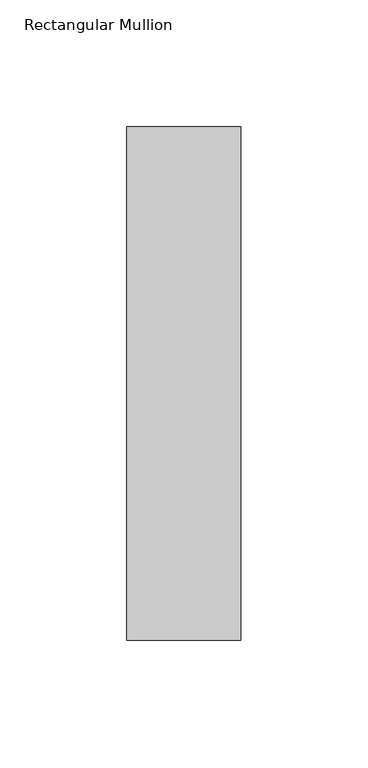
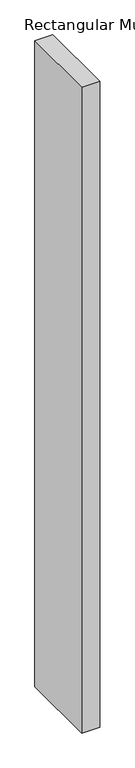
"""IFC4 building model written with IfcOpenShell, lengths in millimetres: member geometry, Rectangular Mullion."""

from ifc_helpers import new_model, si_unit, frame, origin, place, context, project, spatial, polyline, outline, extrude, source, transform, mapped, element, save


def rectangular_mullion_6c6d073f(model_context):
    return source(origin(), model_context, "Body", "SweptSolid", [
        extrude(outline(polyline([(22.5, 166.73125), (22.5, -35.73125), (-22.5, -35.73125), (-22.5, 166.73125), (22.5, 166.73125)])), frame((0.0, 0.0, -1708.8912252), z_axis=(0.0, 0.0, 1.0), x_axis=(1.0, 0.0, 0.0)), (0.0, 0.0, 1.0), 1708.8912252),
    ])


if __name__ == "__main__":
    model = new_model("IFC4")
    model_context = context("Model", 3, world=origin())
    ifc_project = project(units=[si_unit("LENGTHUNIT", "METRE", prefix="MILLI")], contexts=[model_context])
    site = spatial("IfcSite", under=ifc_project)
    building = spatial("IfcBuilding", under=site)
    placement = place(None, origin())
    rectangular_mullion_shape = rectangular_mullion_6c6d073f(model_context)
    element("IfcMember", 1, ObjectType="Rectangular Mullion", at=placement, inside=building, context=model_context, shape_type="MappedRepresentation", body=[
        mapped(rectangular_mullion_shape, transform((0.0, 0.0, 0.0), x_axis=(1.0, 0.0, 0.0), y_axis=(0.0, 1.0, 0.0), z_axis=(0.0, 0.0, 1.0))),
    ])
    save(model, "model.ifc")
